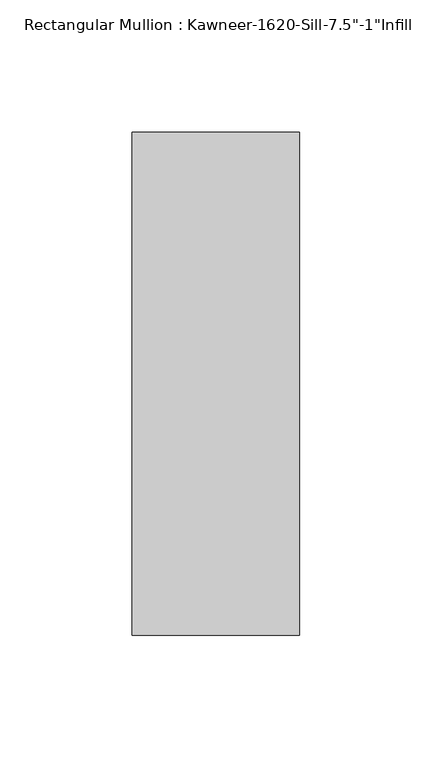
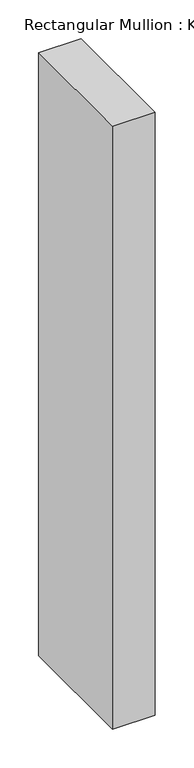
"""IFC4 building model written with IfcOpenShell, lengths in millimetres: member geometry."""

from ifc_helpers import new_model, si_unit, frame, origin, place, context, project, spatial, polyline, outline, extrude, source, transform, mapped, element, save


def member_267997c9(model_context):
    return source(origin(), model_context, "Body", "SweptSolid", [
        extrude(outline(polyline([(-63.5, 38.1), (0.0, 38.1), (0.0, -152.4), (-63.5, -152.4), (-63.5, 38.1)])), frame((0.0, 0.0, -949.4651949), z_axis=(0.0, 0.0, 1.0), x_axis=(1.0, 0.0, 0.0)), (0.0, 0.0, 1.0), 949.4651949),
    ])


if __name__ == "__main__":
    model = new_model("IFC4")
    model_context = context("Model", 3, world=origin())
    ifc_project = project(units=[si_unit("LENGTHUNIT", "METRE", prefix="MILLI")], contexts=[model_context])
    site = spatial("IfcSite", under=ifc_project)
    building = spatial("IfcBuilding", under=site)
    placement = place(None, origin())
    member_shape = member_267997c9(model_context)
    element("IfcMember", 1, ObjectType="Rectangular Mullion : Kawneer-1620-Sill-7.5\"-1\"Infill", at=placement, inside=building, context=model_context, shape_type="MappedRepresentation", body=[
        mapped(member_shape, transform((0.0, 0.0, 0.0), x_axis=(1.0, 0.0, 0.0), y_axis=(0.0, 1.0, 0.0), z_axis=(0.0, 0.0, 1.0))),
    ])
    save(model, "model.ifc")
